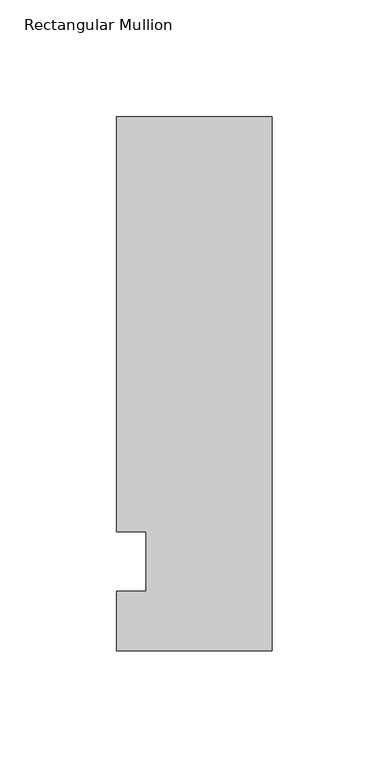
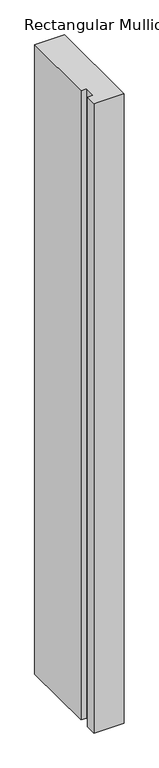
"""IFC4 building model written with IfcOpenShell, lengths in millimetres: member geometry, Rectangular Mullion."""

from ifc_helpers import new_model, si_unit, frame, origin, place, context, project, spatial, polyline, outline, extrude, source, transform, mapped, element, save


def rectangular_mullion_7b55bc18(model_context):
    return source(origin(), model_context, "Body", "SweptSolid", [
        extrude(outline(polyline([(-66.675, 190.5), (0.0, 190.5), (0.0, -38.1), (-66.675, -38.1), (-66.675, -12.7), (-53.975, -12.7), (-53.975, 12.7), (-66.675, 12.7), (-66.675, 190.5)])), frame((0.0, 0.0, -1478.28), z_axis=(0.0, 0.0, 1.0), x_axis=(1.0, 0.0, 0.0)), (0.0, 0.0, 1.0), 1478.28),
    ])


if __name__ == "__main__":
    model = new_model("IFC4")
    model_context = context("Model", 3, world=origin())
    ifc_project = project(units=[si_unit("LENGTHUNIT", "METRE", prefix="MILLI")], contexts=[model_context])
    site = spatial("IfcSite", under=ifc_project)
    building = spatial("IfcBuilding", under=site)
    placement = place(None, origin())
    rectangular_mullion_shape = rectangular_mullion_7b55bc18(model_context)
    element("IfcMember", 1, ObjectType="Rectangular Mullion", at=placement, inside=building, context=model_context, shape_type="MappedRepresentation", body=[
        mapped(rectangular_mullion_shape, transform((0.0, 0.0, 0.0), x_axis=(1.0, 0.0, 0.0), y_axis=(0.0, 1.0, 0.0), z_axis=(0.0, 0.0, 1.0))),
    ])
    save(model, "model.ifc")
